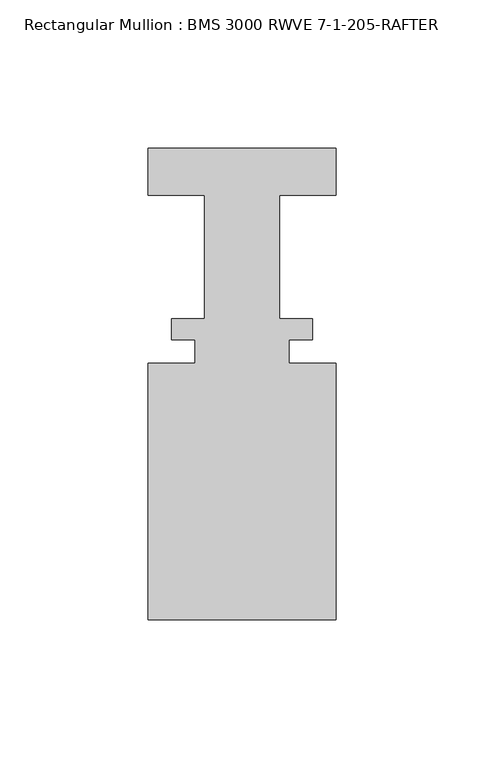
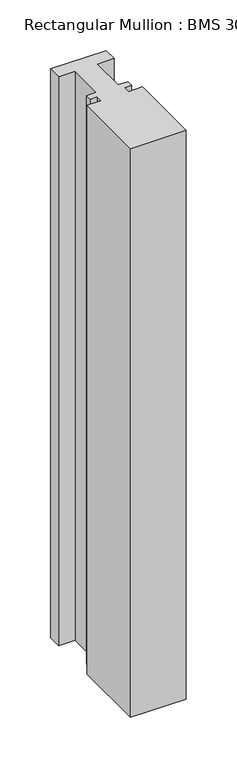
"""IFC4 building model written with IfcOpenShell, lengths in millimetres: member geometry, Rectangular Mullion : BMS 3000 RWVE 7-1-205-RAFTER."""

from ifc_helpers import new_model, si_unit, frame, origin, place, context, project, spatial, polyline, outline, extrude, source, transform, mapped, element, save


def rectangular_mullion_bms_3000_rwve_7_1_205_rafter_dbd79193(model_context):
    return source(origin(), model_context, "Body", "SweptSolid", [
        extrude(outline(polyline([(-31.75, -152.9953125), (-31.75, -66.4575125), (-15.875, -66.4575125), (-15.875, -58.5581125), (-23.8252, -58.5581125), (-23.8252, -51.3953125), (-12.7, -51.3953125), (-12.7, -9.7334421), (-31.75, -9.7334421), (-31.75, 6.1356875), (31.75, 6.1356875), (31.75, -9.7545859), (12.7, -9.7545859), (12.7, -51.3953125), (23.8252, -51.3953125), (23.8252, -58.5581125), (15.875, -58.5581125), (15.875, -66.4575125), (31.75, -66.4575125), (31.75, -152.9953125), (-31.75, -152.9953125)])), frame((0.0, 0.0, -687.0799603), z_axis=(0.0, 0.0, 1.0), x_axis=(1.0, 0.0, 0.0)), (0.0, 0.0, 1.0), 687.0799603),
    ])


if __name__ == "__main__":
    model = new_model("IFC4")
    model_context = context("Model", 3, world=origin())
    ifc_project = project(units=[si_unit("LENGTHUNIT", "METRE", prefix="MILLI")], contexts=[model_context])
    site = spatial("IfcSite", under=ifc_project)
    building = spatial("IfcBuilding", under=site)
    placement = place(None, origin())
    rectangular_mullion_bms_3000_rwve_7_1_205_rafter_shape = rectangular_mullion_bms_3000_rwve_7_1_205_rafter_dbd79193(model_context)
    element("IfcMember", 1, ObjectType="Rectangular Mullion : BMS 3000 RWVE 7-1-205-RAFTER", at=placement, inside=building, context=model_context, shape_type="MappedRepresentation", body=[
        mapped(rectangular_mullion_bms_3000_rwve_7_1_205_rafter_shape, transform((0.0, 0.0, 0.0), x_axis=(1.0, 0.0, 0.0), y_axis=(0.0, 1.0, 0.0), z_axis=(0.0, 0.0, 1.0))),
    ])
    save(model, "model.ifc")
